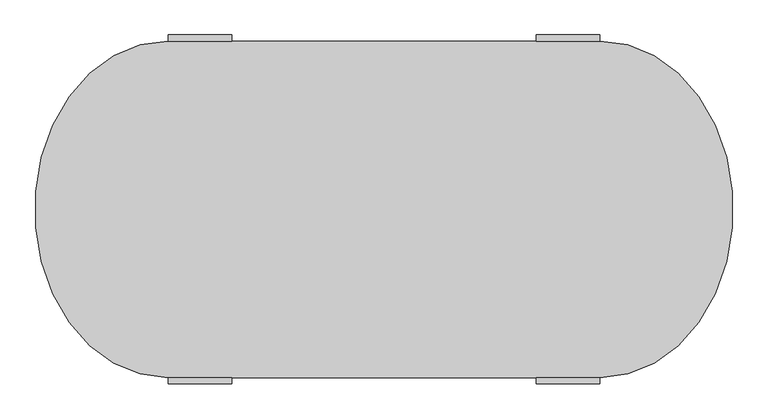
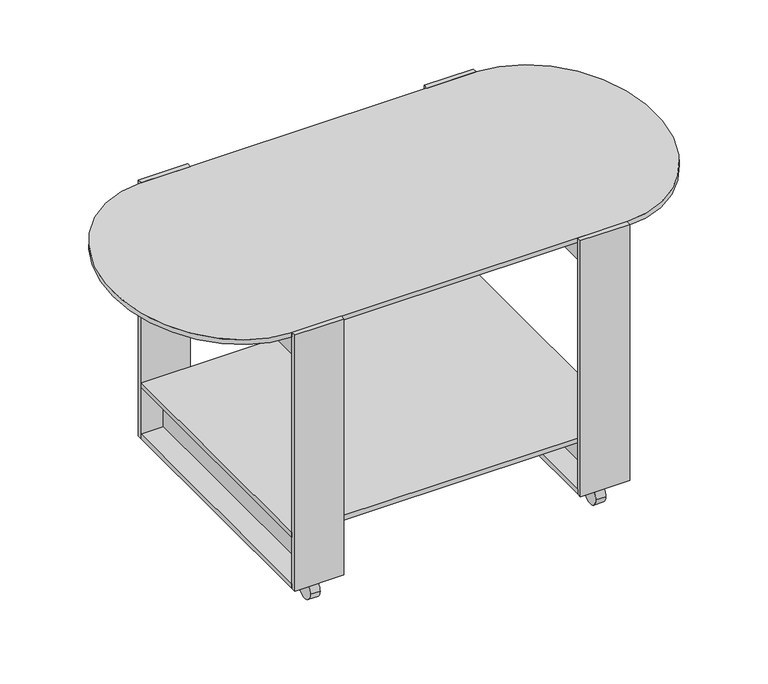
"""IFC4 building model written with IfcOpenShell, lengths in millimetres: furniture geometry."""

from ifc_helpers import new_model, si_unit, point, frame, frame_2d, origin, place, context, project, spatial, polyline, circle_curve, ellipse_curve, trimmed, segment, composite_curve, outline, extrude, source, transform, mapped, element, save
from ifc_brep_helpers import plane_surface, extruded_surface, advanced_brep


def furniture_67775f91(model_context):
    return source(origin(), model_context, "Body", "SolidModel", [
        extrude(outline(composite_curve([segment(trimmed(circle_curve(frame_2d((290.0, 255.0)), 5.0), [point((290.0, 260.0))], [point((290.0, 250.0))], False, "CARTESIAN"), True, "CONTINUOUS"), segment(trimmed(circle_curve(frame_2d((290.0, 255.0)), 5.0), [point((290.0, 250.0))], [point((290.0, 260.0))], False, "CARTESIAN"), True, "CONTINUOUS")], self_intersect=False)), frame((0.0, 0.0, 19.9800644), z_axis=(0.0, 0.0, 1.0), x_axis=(1.0, 0.0, 0.0)), (0.0, 0.0, 1.0), 30.0199356),
        extrude(outline(composite_curve([segment(trimmed(circle_curve(frame_2d((240.0, 20.0)), 20.0), [point((260.0, 20.0))], [point((220.0, 20.0))], False, "CARTESIAN"), True, "CONTINUOUS"), segment(trimmed(circle_curve(frame_2d((240.0, 20.0)), 20.0), [point((220.0, 20.0))], [point((260.0, 20.0))], False, "CARTESIAN"), True, "CONTINUOUS")], self_intersect=False)), frame((280.0, 0.0, 0.0), z_axis=(1.0, 0.0, 0.0), x_axis=(0.0, 1.0, 0.0)), (0.0, 0.0, 1.0), 20.0),
        extrude(outline(composite_curve([segment(trimmed(circle_curve(frame_2d((-290.0, 255.0)), 5.0), [point((-290.0, 260.0))], [point((-290.0, 250.0))], False, "CARTESIAN"), True, "CONTINUOUS"), segment(trimmed(circle_curve(frame_2d((-290.0, 255.0)), 5.0), [point((-290.0, 250.0))], [point((-290.0, 260.0))], False, "CARTESIAN"), True, "CONTINUOUS")], self_intersect=False)), frame((0.0, 0.0, 19.9800644), z_axis=(0.0, 0.0, 1.0), x_axis=(1.0, 0.0, 0.0)), (0.0, 0.0, 1.0), 30.0199356),
        extrude(outline(composite_curve([segment(trimmed(circle_curve(frame_2d((240.0, 20.0)), 20.0), [point((260.0, 20.0))], [point((220.0, 20.0))], False, "CARTESIAN"), True, "CONTINUOUS"), segment(trimmed(circle_curve(frame_2d((240.0, 20.0)), 20.0), [point((220.0, 20.0))], [point((260.0, 20.0))], False, "CARTESIAN"), True, "CONTINUOUS")], self_intersect=False)), frame((-300.0, 0.0, 0.0), z_axis=(1.0, 0.0, 0.0), x_axis=(0.0, 1.0, 0.0)), (0.0, 0.0, 1.0), 20.0),
        extrude(outline(composite_curve([segment(trimmed(circle_curve(frame_2d((290.0, -225.0)), 5.0), [point((290.0, -220.0))], [point((290.0, -230.0))], False, "CARTESIAN"), True, "CONTINUOUS"), segment(trimmed(circle_curve(frame_2d((290.0, -225.0)), 5.0), [point((290.0, -230.0))], [point((290.0, -220.0))], False, "CARTESIAN"), True, "CONTINUOUS")], self_intersect=False)), frame((0.0, 0.0, 19.9800644), z_axis=(0.0, 0.0, 1.0), x_axis=(1.0, 0.0, 0.0)), (0.0, 0.0, 1.0), 30.0199356),
        extrude(outline(composite_curve([segment(trimmed(circle_curve(frame_2d((-240.0, 20.0)), 20.0), [point((-220.0, 20.0))], [point((-260.0, 20.0))], False, "CARTESIAN"), True, "CONTINUOUS"), segment(trimmed(circle_curve(frame_2d((-240.0, 20.0)), 20.0), [point((-260.0, 20.0))], [point((-220.0, 20.0))], False, "CARTESIAN"), True, "CONTINUOUS")], self_intersect=False)), frame((280.0, 0.0, 0.0), z_axis=(1.0, 0.0, 0.0), x_axis=(0.0, 1.0, 0.0)), (0.0, 0.0, 1.0), 20.0),
        extrude(outline(composite_curve([segment(trimmed(circle_curve(frame_2d((-290.0, -225.0)), 5.0), [point((-290.0, -220.0))], [point((-290.0, -230.0))], False, "CARTESIAN"), True, "CONTINUOUS"), segment(trimmed(circle_curve(frame_2d((-290.0, -225.0)), 5.0), [point((-290.0, -230.0))], [point((-290.0, -220.0))], False, "CARTESIAN"), True, "CONTINUOUS")], self_intersect=False)), frame((0.0, 0.0, 19.9800644), z_axis=(0.0, 0.0, 1.0), x_axis=(1.0, 0.0, 0.0)), (0.0, 0.0, 1.0), 30.0199356),
        extrude(outline(composite_curve([segment(trimmed(circle_curve(frame_2d((-240.0, 20.0)), 20.0), [point((-220.0, 20.0))], [point((-260.0, 20.0))], False, "CARTESIAN"), True, "CONTINUOUS"), segment(trimmed(circle_curve(frame_2d((-240.0, 20.0)), 20.0), [point((-260.0, 20.0))], [point((-220.0, 20.0))], False, "CARTESIAN"), True, "CONTINUOUS")], self_intersect=False)), frame((-300.0, 0.0, 0.0), z_axis=(1.0, 0.0, 0.0), x_axis=(0.0, 1.0, 0.0)), (0.0, 0.0, 1.0), 20.0),
        extrude(outline(polyline([(-240.0, 265.0), (-240.0, -265.0), (-340.0, -265.0), (-340.0, 265.0), (-240.0, 265.0)])), frame((0.0, 0.0, 50.0), z_axis=(0.0, 0.0, 1.0), x_axis=(1.0, 0.0, 0.0)), (0.0, 0.0, 1.0), 10.0),
        extrude(outline(polyline([(340.0, 265.0), (340.0, -265.0), (240.0, -265.0), (240.0, 265.0), (340.0, 265.0)])), frame((0.0, 0.0, 50.0), z_axis=(0.0, 0.0, 1.0), x_axis=(1.0, 0.0, 0.0)), (0.0, 0.0, 1.0), 10.0),
        extrude(outline(polyline([(340.0, -265.0), (-340.0, -265.0), (-340.0, 265.0), (340.0, 265.0), (340.0, -265.0)])), frame((0.0, 0.0, 160.0), z_axis=(0.0, 0.0, 1.0), x_axis=(1.0, 0.0, 0.0)), (0.0, 0.0, 1.0), 10.0),
        extrude(outline(polyline([(-285.0, 265.0), (-285.0, -265.0), (-295.0, -265.0), (-295.0, 265.0), (-285.0, 265.0)])), frame((0.0, 0.0, 490.0), z_axis=(0.0, 0.0, 1.0), x_axis=(1.0, 0.0, 0.0)), (0.0, 0.0, 1.0), 100.0),
        extrude(outline(polyline([(-285.0, 265.0), (-285.0, -265.0), (-295.0, -265.0), (-295.0, 265.0), (-285.0, 265.0)])), frame((0.0, 0.0, 60.0), z_axis=(0.0, 0.0, 1.0), x_axis=(1.0, 0.0, 0.0)), (0.0, 0.0, 1.0), 100.0),
        extrude(outline(polyline([(295.0, 265.0), (295.0, -265.0), (285.0, -265.0), (285.0, 265.0), (295.0, 265.0)])), frame((0.0, 0.0, 490.0), z_axis=(0.0, 0.0, 1.0), x_axis=(1.0, 0.0, 0.0)), (0.0, 0.0, 1.0), 100.0),
        extrude(outline(polyline([(295.0, 265.0), (295.0, -265.0), (285.0, -265.0), (285.0, 265.0), (295.0, 265.0)])), frame((0.0, 0.0, 60.0), z_axis=(0.0, 0.0, 1.0), x_axis=(1.0, 0.0, 0.0)), (0.0, 0.0, 1.0), 100.0),
        extrude(outline(polyline([(-240.0, -265.0), (-240.0, -275.0), (-340.0, -275.0), (-340.0, -265.0), (-240.0, -265.0)])), frame((0.0, 0.0, 50.0), z_axis=(0.0, 0.0, 1.0), x_axis=(1.0, 0.0, 0.0)), (0.0, 0.0, 1.0), 550.0),
        extrude(outline(polyline([(240.0, -265.0), (340.0, -265.0), (340.0, -275.0), (240.0, -275.0), (240.0, -265.0)])), frame((0.0, 0.0, 50.0), z_axis=(0.0, 0.0, 1.0), x_axis=(1.0, 0.0, 0.0)), (0.0, 0.0, 1.0), 550.0),
        extrude(outline(polyline([(-240.0, 265.0), (-340.0, 265.0), (-340.0, 275.0), (-240.0, 275.0), (-240.0, 265.0)])), frame((0.0, 0.0, 50.0), z_axis=(0.0, 0.0, 1.0), x_axis=(1.0, 0.0, 0.0)), (0.0, 0.0, 1.0), 550.0),
        extrude(outline(polyline([(240.0, 265.0), (240.0, 275.0), (340.0, 275.0), (340.0, 265.0), (240.0, 265.0)])), frame((0.0, 0.0, 50.0), z_axis=(0.0, 0.0, 1.0), x_axis=(1.0, 0.0, 0.0)), (0.0, 0.0, 1.0), 550.0),
        advanced_brep(
        [(340.0, -265.0, 600.0), (340.0, 265.0, 600.0), (-340.0, 265.0, 600.0), (-340.0, -265.0, 600.0), (340.0, -265.0, 590.0), (-340.0, -265.0, 590.0), (-340.0, 265.0, 590.0), (340.0, 265.0, 590.0)],
        [
            (0, 1, ellipse_curve(frame((340.0, 0.0, 600.0), z_axis=(0.0, 0.0, 1.0), x_axis=(0.0, -1.0, 0.0)), 265.0, 210.0)),
            (1, 2),
            (2, 3, ellipse_curve(frame((-340.0, 0.0, 600.0), z_axis=(0.0, 0.0, 1.0), x_axis=(0.0, -1.0, 0.0)), 265.0, 210.0)),
            (3, 0),
            (4, 5),
            (5, 6, ellipse_curve(frame((-340.0, 0.0, 590.0), z_axis=(0.0, 0.0, -1.0), x_axis=(0.0, -1.0, 0.0)), 265.0, 210.0)),
            (6, 7),
            (7, 4, ellipse_curve(frame((340.0, 0.0, 590.0), z_axis=(0.0, 0.0, -1.0), x_axis=(0.0, -1.0, 0.0)), 265.0, 210.0)),
            (3, 5),
            (4, 0),
            (2, 6),
            (1, 7),
        ],
        [
            plane_surface(frame((-340.0, -265.0, 600.0), z_axis=(0.0, 0.0, 1.0), x_axis=(-1.0, 0.0, 0.0))),
            plane_surface(frame((-340.0, -265.0, 590.0), z_axis=(0.0, 0.0, -1.0), x_axis=(1.0, 0.0, 0.0))),
            plane_surface(frame((340.0, -265.0, 600.0), z_axis=(0.0, -1.0, 0.0), x_axis=(0.0, 0.0, -1.0))),
            extruded_surface(trimmed(ellipse_curve(frame((-340.0, 0.0, 590.0), z_axis=(0.0, 0.0, -1.0), x_axis=(0.0, -1.0, 0.0)), 265.0, 210.0), [point((-340.0, -265.0, 590.0))], [point((-340.0, 265.0, 590.0))], True, "CARTESIAN"), (0.0, 0.0, -10.0), 10.0),
            plane_surface(frame((-340.0, 265.0, 600.0), z_axis=(0.0, 1.0, 0.0), x_axis=(0.0, 0.0, -1.0))),
            extruded_surface(trimmed(ellipse_curve(frame((340.0, 0.0, 590.0), z_axis=(0.0, 0.0, -1.0), x_axis=(0.0, -1.0, 0.0)), 265.0, 210.0), [point((340.0, 265.0, 590.0))], [point((340.0, -265.0, 590.0))], True, "CARTESIAN"), (0.0, 0.0, -10.0), 10.0),
        ],
        [
            (0, [[1, 2, 3, 4]]),
            (1, [[5, 6, 7, 8]]),
            (2, [[9, -5, 10, -4]]),
            (3, [[11, -6, -9, -3]]),
            (4, [[12, -7, -11, -2]]),
            (5, [[-10, -8, -12, -1]]),
        ],
    ),
    ])


if __name__ == "__main__":
    model = new_model("IFC4")
    model_context = context("Model", 3, world=origin())
    ifc_project = project(units=[si_unit("LENGTHUNIT", "METRE", prefix="MILLI")], contexts=[model_context])
    site = spatial("IfcSite", under=ifc_project)
    building = spatial("IfcBuilding", under=site)
    placement = place(None, origin())
    furniture_shape = furniture_67775f91(model_context)
    element("IfcFurniture", 1, at=placement, inside=building, context=model_context, shape_type="MappedRepresentation", body=[
        mapped(furniture_shape, transform((0.0, 0.0, 0.0), x_axis=(1.0, 0.0, 0.0), y_axis=(0.0, 1.0, 0.0), z_axis=(0.0, 0.0, 1.0))),
    ])
    save(model, "model.ifc")
